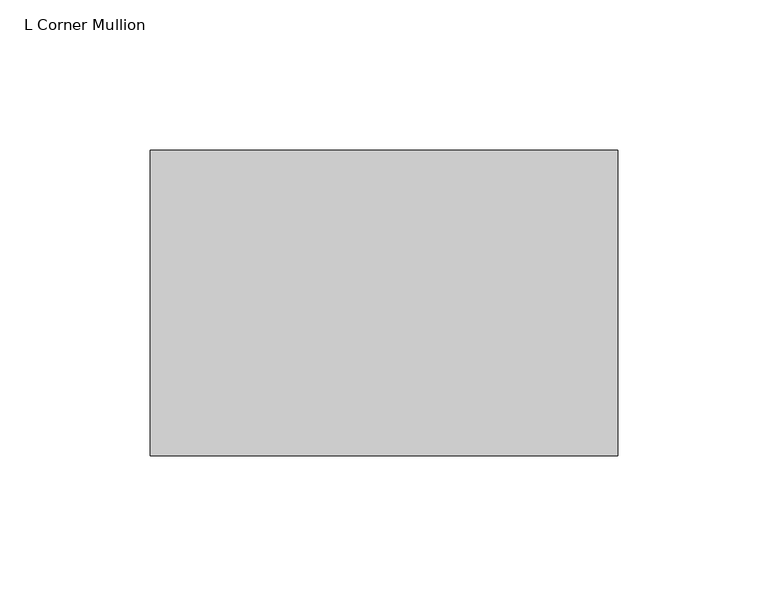
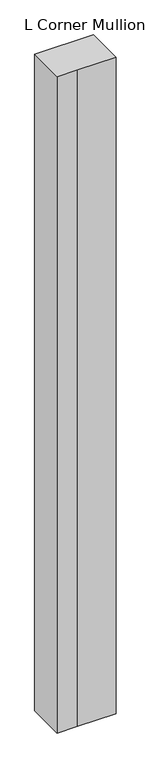
"""IFC4 building model written with IfcOpenShell, lengths in millimetres: member geometry, L Corner Mullion."""

from ifc_helpers import new_model, si_unit, frame, origin, place, context, project, spatial, polyline, outline, extrude, source, transform, mapped, element, save


def l_corner_mullion_e71c940b(model_context):
    return source(origin(), model_context, "Body", "SweptSolid", [
        extrude(outline(polyline([(-63.5, -63.5), (-117.475, -63.5), (-117.475, 38.1), (38.1, 38.1), (38.1, -63.5), (-63.5, -63.5)])), frame((0.0, 0.0, -1828.8), z_axis=(0.0, 0.0, 1.0), x_axis=(1.0, 0.0, 0.0)), (0.0, 0.0, 1.0), 1828.8),
    ])


if __name__ == "__main__":
    model = new_model("IFC4")
    model_context = context("Model", 3, world=origin())
    ifc_project = project(units=[si_unit("LENGTHUNIT", "METRE", prefix="MILLI")], contexts=[model_context])
    site = spatial("IfcSite", under=ifc_project)
    building = spatial("IfcBuilding", under=site)
    placement = place(None, origin())
    l_corner_mullion_shape = l_corner_mullion_e71c940b(model_context)
    element("IfcMember", 1, ObjectType="L Corner Mullion", at=placement, inside=building, context=model_context, shape_type="MappedRepresentation", body=[
        mapped(l_corner_mullion_shape, transform((0.0, 0.0, 0.0), x_axis=(1.0, 0.0, 0.0), y_axis=(0.0, 1.0, 0.0), z_axis=(0.0, 0.0, 1.0))),
    ])
    save(model, "model.ifc")
